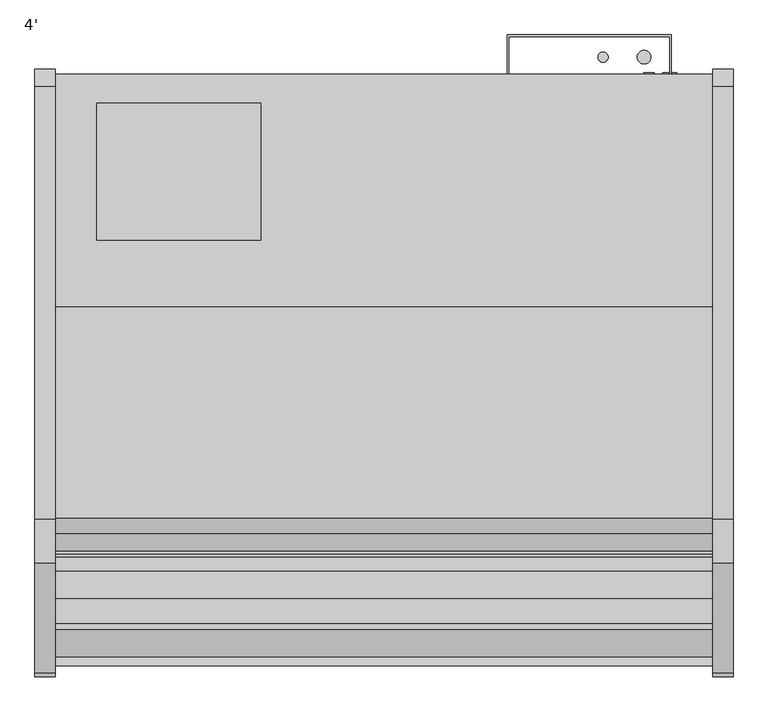
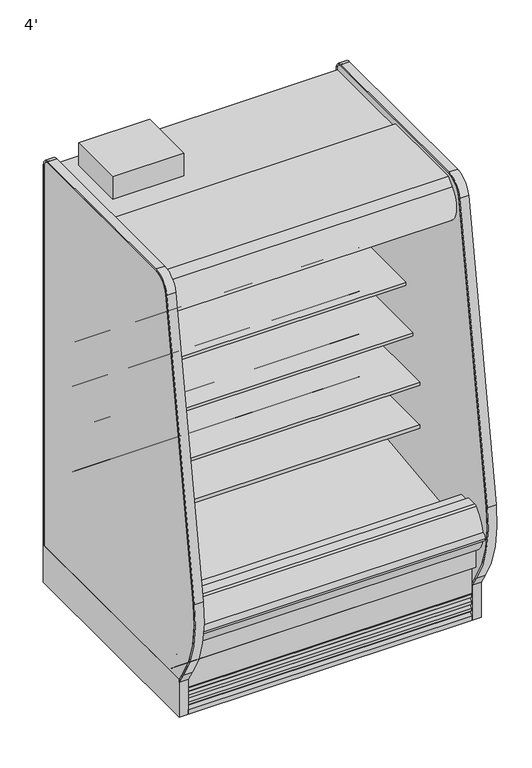
"""IFC4 building model written with IfcOpenShell, lengths in millimetres: proxy geometry, 4'."""

from ifc_helpers import new_model, si_unit, point, frame, frame_2d, origin, origin_with_axes, place, context, project, spatial, polyline, circle_curve, trimmed, segment, composite_curve, outline, extrude, faceted_brep, source, transform, mapped, element, save
from ifc_brep_helpers import plane_surface, cylinder_surface, revolved_surface, advanced_brep


def proxy_4_6e2ada27(model_context):
    return source(origin(), model_context, "Body", "SolidModel", [
        extrude(outline(polyline([(381.0, -452.3089273), (381.0, -706.3089273), (76.2, -706.3089273), (76.2, -452.3089273), (381.0, -452.3089273)])), frame((0.0, 0.0, 1890.890681), z_axis=(0.0, 0.0, 1.0), x_axis=(1.0, 0.0, 0.0)), (0.0, 0.0, 1.0), 101.6),
        extrude(outline(composite_curve([segment(polyline([(-501.7581995, 650.7627781), (-501.7581995, 575.6617518), (-525.138746, 575.6617518)]), True, "CONTINUOUS"), segment(trimmed(circle_curve(frame_2d((-525.5705821, 601.0580806)), 25.4), [point((-525.138746, 575.6617518))], [point((-541.5479383, 581.3125979))], False, "CARTESIAN"), True, "CONTINUOUS"), segment(polyline([(-541.5479383, 581.3125979), (-559.3999995, 595.7578634)]), True, "CONTINUOUS"), segment(trimmed(circle_curve(frame_2d((-599.3433901, 546.3941567)), 63.5), [point((-559.3999995, 595.7578634))], [point((-591.4455089, 609.4010886))], True, "CARTESIAN"), True, "CONTINUOUS"), segment(polyline([(-591.4455089, 609.4010886), (-866.0092482, 633.098226), (-867.4980247, 636.5387781), (-1009.7581995, 636.5387781), (-1009.7581995, 650.7627781), (-501.7581995, 650.7627781)]), True, "CONTINUOUS")], self_intersect=False)), frame((0.0, 0.0, 0.0), z_axis=(1.0, 0.0, 0.0), x_axis=(0.0, 1.0, 0.0)), (0.0, 0.0, 1.0), 1219.2),
        extrude(outline(composite_curve([segment(polyline([(-501.7581995, 844.576863), (-501.7581995, 769.4758366), (-525.138746, 769.4758366)]), True, "CONTINUOUS"), segment(trimmed(circle_curve(frame_2d((-525.5705821, 794.8721655)), 25.4), [point((-525.138746, 769.4758366))], [point((-541.5479383, 775.1266828))], False, "CARTESIAN"), True, "CONTINUOUS"), segment(polyline([(-541.5479383, 775.1266828), (-559.3999995, 789.5719483)]), True, "CONTINUOUS"), segment(trimmed(circle_curve(frame_2d((-599.3433901, 740.2082415)), 63.5), [point((-559.3999995, 789.5719483))], [point((-591.4455089, 803.2151735))], True, "CARTESIAN"), True, "CONTINUOUS"), segment(polyline([(-591.4455089, 803.2151735), (-866.0092482, 826.9123109), (-867.4980247, 830.352863), (-1009.7581995, 830.352863), (-1009.7581995, 844.576863), (-501.7581995, 844.576863)]), True, "CONTINUOUS")], self_intersect=False)), frame((0.0, 0.0, 0.0), z_axis=(1.0, 0.0, 0.0), x_axis=(0.0, 1.0, 0.0)), (0.0, 0.0, 1.0), 1219.2),
        extrude(outline(composite_curve([segment(polyline([(-501.7581995, 1038.3909479), (-501.7581995, 963.2899215), (-525.138746, 963.2899215)]), True, "CONTINUOUS"), segment(trimmed(circle_curve(frame_2d((-525.5705821, 988.6862503)), 25.4), [point((-525.138746, 963.2899215))], [point((-541.5479383, 968.9407676))], False, "CARTESIAN"), True, "CONTINUOUS"), segment(polyline([(-541.5479383, 968.9407676), (-559.3999995, 983.3860332)]), True, "CONTINUOUS"), segment(trimmed(circle_curve(frame_2d((-599.3433901, 934.0223264)), 63.5), [point((-559.3999995, 983.3860332))], [point((-591.4455089, 997.0292583))], True, "CARTESIAN"), True, "CONTINUOUS"), segment(polyline([(-591.4455089, 997.0292583), (-866.0092482, 1020.7263958), (-867.4980247, 1024.1669479), (-958.9581995, 1024.1669479), (-958.9581995, 1038.3909479), (-501.7581995, 1038.3909479)]), True, "CONTINUOUS")], self_intersect=False)), frame((0.0, 0.0, 0.0), z_axis=(1.0, 0.0, 0.0), x_axis=(0.0, 1.0, 0.0)), (0.0, 0.0, 1.0), 1219.2),
        extrude(outline(composite_curve([segment(trimmed(circle_curve(frame_2d((1016.0, -366.5839273)), 9.525), [point((1006.475, -366.5839273))], [point((1025.525, -366.5839273))], False, "CARTESIAN"), True, "CONTINUOUS"), segment(trimmed(circle_curve(frame_2d((1016.0, -366.5839273)), 9.525), [point((1025.525, -366.5839273))], [point((1006.475, -366.5839273))], False, "CARTESIAN"), True, "CONTINUOUS")], self_intersect=False)), frame((0.0, 0.0, 1384.8875996), z_axis=(0.0, 0.0, 1.0), x_axis=(1.0, 0.0, 0.0)), (0.0, 0.0, 1.0), 465.5662814),
        extrude(outline(composite_curve([segment(trimmed(circle_curve(frame_2d((1092.2, -366.5839273)), 12.7), [point((1079.5, -366.5839273))], [point((1104.9, -366.5839273))], False, "CARTESIAN"), True, "CONTINUOUS"), segment(trimmed(circle_curve(frame_2d((1092.2, -366.5839273)), 12.7), [point((1104.9, -366.5839273))], [point((1079.5, -366.5839273))], False, "CARTESIAN"), True, "CONTINUOUS")], self_intersect=False)), frame((0.0, 0.0, 1384.8875996), z_axis=(0.0, 0.0, 1.0), x_axis=(1.0, 0.0, 0.0)), (0.0, 0.0, 1.0), 465.5662814),
        extrude(outline(polyline([(1139.825, -401.5089273), (1139.825, -328.4839273), (841.4752368, -328.4839273), (841.4752368, -401.5089273), (838.2, -401.5089273), (838.2, -325.3089273), (1143.0, -325.3089273), (1143.0, -401.5089273), (1139.825, -401.5089273)])), frame((0.0, 0.0, 636.9744553), z_axis=(0.0, 0.0, 1.0), x_axis=(1.0, 0.0, 0.0)), (0.0, 0.0, 1.0), 1177.4114257),
        extrude(outline(composite_curve([segment(trimmed(circle_curve(frame_2d((1044.575, -973.0089273)), 12.7), [point((1031.875, -973.0089273))], [point((1057.275, -973.0089273))], False, "CARTESIAN"), True, "CONTINUOUS"), segment(trimmed(circle_curve(frame_2d((1044.575, -973.0089273)), 12.7), [point((1057.275, -973.0089273))], [point((1031.875, -973.0089273))], False, "CARTESIAN"), True, "CONTINUOUS")], self_intersect=False)), frame((0.0, 0.0, 66.7090149), z_axis=(0.0, 0.0, 1.0), x_axis=(1.0, 0.0, 0.0)), (0.0, 0.0, 1.0), 57.1159851),
        extrude(outline(composite_curve([segment(trimmed(circle_curve(frame_2d((1006.475, -973.0089273)), 9.525), [point((996.95, -973.0089273))], [point((1016.0, -973.0089273))], False, "CARTESIAN"), True, "CONTINUOUS"), segment(trimmed(circle_curve(frame_2d((1006.475, -973.0089273)), 9.525), [point((1016.0, -973.0089273))], [point((996.95, -973.0089273))], False, "CARTESIAN"), True, "CONTINUOUS")], self_intersect=False)), frame((0.0, 0.0, 66.7090149), z_axis=(0.0, 0.0, 1.0), x_axis=(1.0, 0.0, 0.0)), (0.0, 0.0, 1.0), 57.1159851),
        extrude(outline(composite_curve([segment(trimmed(circle_curve(frame_2d((-772.0018909, 1757.6527872)), 14.2875), [point((-786.2893909, 1757.6527872))], [point((-757.7143909, 1757.6527872))], False, "CARTESIAN"), True, "CONTINUOUS"), segment(trimmed(circle_curve(frame_2d((-772.0018909, 1757.6527872)), 14.2875), [point((-757.7143909, 1757.6527872))], [point((-786.2893909, 1757.6527872))], False, "CARTESIAN"), True, "CONTINUOUS")], self_intersect=False)), frame((0.0, 0.0, 0.0), z_axis=(1.0, 0.0, 0.0), x_axis=(0.0, 1.0, 0.0)), (0.0, 0.0, 1.0), 1219.2),
        extrude(outline(polyline([(744.7751963, -1346.7911816), (435.3523963, -1346.7911816), (435.3523963, -1246.4115659), (744.7751963, -1246.4115659), (744.7751963, -1346.7911816)])), frame((0.0, 0.0, 53.2186364), z_axis=(0.0, 0.0, 1.0), x_axis=(1.0, 0.0, 0.0)), (0.0, 0.0, 1.0), 9.8914),
        faceted_brep([(1219.2, -1207.9589273, 133.35), (1219.2, -1271.9080824, 133.35), (1219.2, -1376.2733538, 217.6113531), (1219.2, -1376.2733538, 10.9768116), (1219.2, -1207.9589273, 10.9768116), (0.0, -1207.9589273, 133.35), (0.0, -1207.9589273, 10.9768116), (0.0, -1376.2733538, 10.9768116), (0.0, -1376.2733538, 217.6113531), (0.0, -1271.9080824, 133.35), (744.7751963, -1346.7911816, 10.9768116), (744.7751963, -1246.4115659, 10.9768116), (435.3523963, -1246.4115659, 10.9768116), (435.3523963, -1346.7911816, 10.9768116), (744.7751963, -1346.7911816, 63.1100364), (435.3523963, -1346.7911816, 63.1100364), (435.3523963, -1246.4115659, 63.1100364), (744.7751963, -1246.4115659, 63.1100364)], [[[0, 1, 2, 3, 4]], [[5, 6, 7, 8, 9]], [[1, 0, 5, 9]], [[2, 1, 9, 8]], [[3, 2, 8, 7]], [[4, 3, 7, 6], [10, 11, 12, 13]], [[0, 4, 6, 5]], [[14, 15, 16, 17]], [[14, 17, 11, 10]], [[17, 16, 12, 11]], [[16, 15, 13, 12]], [[15, 14, 10, 13]]]),
        extrude(outline(composite_curve([segment(trimmed(circle_curve(frame_2d((497.8112651, 1139.6090336)), 12.7), [point((497.8112651, 1152.3090336))], [point((497.8112651, 1126.9090336))], False, "CARTESIAN"), True, "CONTINUOUS"), segment(trimmed(circle_curve(frame_2d((497.8112651, 1139.6090336)), 12.7), [point((497.8112651, 1126.9090336))], [point((497.8112651, 1152.3090336))], False, "CARTESIAN"), True, "CONTINUOUS")], self_intersect=False)), frame((0.0, -447.5561252, 0.0), z_axis=(0.0, 1.0, 0.0), x_axis=(0.0, 0.0, 1.0)), (0.0, 0.0, 1.0), 52.3971979),
        extrude(outline(composite_curve([segment(trimmed(circle_curve(frame_2d((497.8112651, 1101.1972115)), 9.525), [point((497.8112651, 1110.7222115))], [point((497.8112651, 1091.6722115))], False, "CARTESIAN"), True, "CONTINUOUS"), segment(trimmed(circle_curve(frame_2d((497.8112651, 1101.1972115)), 9.525), [point((497.8112651, 1091.6722115))], [point((497.8112651, 1110.7222115))], False, "CARTESIAN"), True, "CONTINUOUS")], self_intersect=False)), frame((0.0, -447.5561252, 0.0), z_axis=(0.0, 1.0, 0.0), x_axis=(0.0, 0.0, 1.0)), (0.0, 0.0, 1.0), 52.3971979),
        extrude(outline(composite_curve([segment(polyline([(-448.6101762, 1839.296931), (-448.6101762, 407.920884), (-501.7581995, 407.920884), (-501.7581995, 1761.0279745)]), True, "CONTINUOUS"), segment(trimmed(circle_curve(frame_2d((-527.1581995, 1761.0279745)), 25.4), [point((-501.7581995, 1761.0279745))], [point((-527.1581995, 1786.4279745))], True, "CARTESIAN"), True, "CONTINUOUS"), segment(polyline([(-527.1581995, 1786.4279745), (-992.6733136, 1786.4279745), (-992.6733136, 1753.1446108), (-1003.5184137, 1753.1446108)]), True, "CONTINUOUS"), segment(trimmed(circle_curve(frame_2d((-1003.5184137, 1753.4621108)), 0.3175), [point((-1003.5184137, 1753.1446108))], [point((-1003.5184137, 1753.7796108))], False, "CARTESIAN"), True, "CONTINUOUS"), segment(polyline([(-1003.5184137, 1753.7796108), (-993.3389611, 1753.7796108), (-993.3389611, 1779.1796104), (-1094.9389599, 1779.1796104), (-1094.9389599, 1753.7796108), (-1084.7595073, 1753.7796108)]), True, "CONTINUOUS"), segment(trimmed(circle_curve(frame_2d((-1084.7595073, 1753.4621108)), 0.3175), [point((-1084.7595073, 1753.7796108))], [point((-1084.7595073, 1753.1446108))], False, "CARTESIAN"), True, "CONTINUOUS"), segment(polyline([(-1084.7595073, 1753.1446108), (-1095.6048165, 1753.1446108), (-1095.5967104, 1839.296931), (-448.6101762, 1839.296931)]), True, "CONTINUOUS")], self_intersect=False)), frame((0.0, 0.0, 0.0), z_axis=(1.0, 0.0, 0.0), x_axis=(0.0, 1.0, 0.0)), (0.0, 0.0, 1.0), 1219.2),
        advanced_brep(
        [(1219.2, -1425.6139874, 394.41755), (1219.2, -1425.6139874, 257.4474833), (1219.2, -1271.9080824, 133.35), (1219.2, -398.3339273, 133.35), (1219.2, -398.3339273, 1890.890681), (1219.2, -1136.0666873, 1890.890681), (1219.2, -1136.0666873, 1839.296931), (1219.2, -448.6101762, 1839.296931), (1219.2, -448.6101762, 367.1445251), (1219.2, -596.3264929, 214.837363), (1219.2, -1040.4181205, 198.8529213), (1219.2, -1093.5300237, 160.270884), (1219.2, -1160.3460307, 160.270884), (1219.2, -1218.3906168, 192.4470563), (1219.2, -1376.1093872, 344.7542153), (1219.2, -1376.1093872, 394.41755), (0.0, -1425.6139874, 394.41755), (0.0, -1376.1093872, 394.41755), (0.0, -1376.1093872, 344.7542153), (0.0, -1218.3906168, 192.4470563), (0.0, -1160.3460307, 160.270884), (0.0, -1093.5300237, 160.270884), (0.0, -1040.4181205, 198.8529213), (0.0, -596.3264929, 214.837363), (0.0, -448.6101762, 367.1445251), (0.0, -448.6101762, 1839.296931), (0.0, -1136.0666873, 1839.296931), (0.0, -1136.0666873, 1890.890681), (0.0, -398.3339273, 1890.890681), (0.0, -398.3339273, 133.35), (0.0, -1271.9080824, 133.35), (0.0, -1425.6139874, 257.4474833), (1117.6, -398.3339273, 362.4825072), (1117.6, -398.3339273, 464.0825072), (1117.6, -444.3811252, 362.4825072), (1117.6, -444.3811252, 464.0825072)],
        [
            (0, 1),
            (1, 2),
            (2, 3),
            (3, 4),
            (4, 5),
            (5, 6),
            (6, 7),
            (7, 8),
            (8, 9, circle_curve(frame((1219.2, -601.8382276, 367.9684683), z_axis=(-1.0, 0.0, 0.0), x_axis=(0.0, 1.0, 0.0)), 153.2302667)),
            (9, 10),
            (10, 11),
            (11, 12),
            (12, 13),
            (13, 14, circle_curve(frame((1219.2, -1223.7093872, 344.7542153), z_axis=(-1.0, 0.0, 0.0), x_axis=(0.0, 1.0, 0.0)), 152.4)),
            (14, 15),
            (15, 0),
            (16, 17),
            (17, 18),
            (18, 19, circle_curve(frame((0.0, -1223.7093872, 344.7542153), z_axis=(1.0, 0.0, 0.0), x_axis=(0.0, 1.0, 0.0)), 152.4)),
            (19, 20),
            (20, 21),
            (21, 22),
            (22, 23),
            (23, 24, circle_curve(frame((0.0, -601.8382276, 367.9684683), z_axis=(1.0, 0.0, 0.0), x_axis=(0.0, 1.0, 0.0)), 153.2302667)),
            (24, 25),
            (25, 26),
            (26, 27),
            (27, 28),
            (28, 29),
            (29, 30),
            (30, 31),
            (31, 16),
            (0, 16),
            (31, 1),
            (30, 2),
            (29, 3),
            (28, 4),
            (32, 33, circle_curve(frame((1117.6, -398.3339273, 413.2825072), z_axis=(0.0, -1.0, 0.0), x_axis=(0.0, 0.0, 1.0)), 50.8)),
            (33, 32, circle_curve(frame((1117.6, -398.3339273, 413.2825072), z_axis=(0.0, -1.0, 0.0), x_axis=(0.0, 0.0, 1.0)), 50.8)),
            (27, 5),
            (26, 6),
            (25, 7),
            (24, 8),
            (23, 9),
            (22, 10),
            (21, 11),
            (20, 12),
            (19, 13),
            (18, 14),
            (17, 15),
            (34, 35, circle_curve(frame((1117.6, -444.3811252, 413.2825072), z_axis=(0.0, 1.0, 0.0), x_axis=(0.0, 0.0, 1.0)), 50.8)),
            (35, 34, circle_curve(frame((1117.6, -444.3811252, 413.2825072), z_axis=(0.0, 1.0, 0.0), x_axis=(0.0, 0.0, 1.0)), 50.8)),
            (35, 33),
            (32, 34),
        ],
        [
            plane_surface(frame((1219.2, -1425.6139874, 257.4474833), z_axis=(1.0, 0.0, 0.0), x_axis=(0.0, 0.0, -1.0))),
            plane_surface(frame((0.0, -1425.6139874, 257.4474833), z_axis=(-1.0, 0.0, 0.0), x_axis=(0.0, 0.0, 1.0))),
            plane_surface(frame((1219.2, -1425.6139874, 394.41755), z_axis=(0.0, -1.0, 0.0), x_axis=(-1.0, 0.0, 0.0))),
            plane_surface(frame((1219.2, -1425.6139874, 257.4474833), z_axis=(0.0, -0.6281851642637385, -0.7780638787393617), x_axis=(-1.0, 0.0, 0.0))),
            plane_surface(frame((1219.2, -1271.9080824, 133.35), z_axis=(0.0, 0.0, -1.0), x_axis=(-1.0, 0.0, 0.0))),
            plane_surface(frame((1219.2, -398.3339273, 133.35), z_axis=(0.0, 1.0, 0.0), x_axis=(-1.0, 0.0, 0.0))),
            plane_surface(frame((1219.2, -398.3339273, 1890.890681), z_axis=(0.0, 0.0, 1.0), x_axis=(-1.0, 0.0, 0.0))),
            plane_surface(frame((1219.2, -1136.0666873, 1890.890681), z_axis=(0.0, -1.0, 0.0), x_axis=(-1.0, 0.0, 0.0))),
            plane_surface(frame((1219.2, -1136.0666873, 1839.296931), z_axis=(0.0, 0.0, -1.0), x_axis=(-1.0, 0.0, 0.0))),
            plane_surface(frame((1219.2, -448.6101762, 1839.296931), z_axis=(0.0, -1.0, 0.0), x_axis=(-1.0, 0.0, 0.0))),
            revolved_surface(polyline([(0.0, -448.60796089999997, 367.9684683), (1219.2, -448.60796089999997, 367.9684683)]), (0.0, -601.8382276, 367.9684683), (-1.0, 0.0, 0.0)),
            plane_surface(frame((1219.2, -596.3264929, 214.837363), z_axis=(0.0, -0.035970274152171335, 0.9993528602938092), x_axis=(-1.0, 0.0, 0.0))),
            plane_surface(frame((1219.2, -1040.4181205, 198.8529213), z_axis=(0.0, -0.5877252382160976, 0.8090605937529224), x_axis=(-1.0, 0.0, 0.0))),
            plane_surface(frame((1219.2, -1093.5300237, 160.270884), z_axis=(0.0, 0.0, 1.0), x_axis=(-1.0, 0.0, 0.0))),
            plane_surface(frame((1219.2, -1160.3460307, 160.270884), z_axis=(0.0, 0.4848272875913194, 0.8746099137368866), x_axis=(-1.0, 0.0, 0.0))),
            revolved_surface(polyline([(0.0, -1071.3093872, 344.7542153), (1219.2, -1071.3093872, 344.7542153)]), (0.0, -1223.7093872, 344.7542153), (-1.0, 0.0, 0.0)),
            plane_surface(frame((1219.2, -1376.1093872, 344.7542153), z_axis=(0.0, 1.0, 0.0), x_axis=(-1.0, 0.0, 0.0))),
            plane_surface(frame((1219.2, -1376.1093872, 394.41755), z_axis=(0.0, 0.0, 1.0), x_axis=(-1.0, 0.0, 0.0))),
            plane_surface(frame((1117.6, -444.3811252, 464.0825072), z_axis=(0.0, 1.0, 0.0), x_axis=(-1.0, 0.0, 0.0))),
            revolved_surface(polyline([(1117.6, -444.3811252, 464.0825072), (1117.6, -398.3339273, 464.0825072)]), (1117.6, -398.3339273, 413.2825072), (0.0, -1.0, 0.0)),
        ],
        [
            (0, [[1, 2, 3, 4, 5, 6, 7, 8, 9, 10, 11, 12, 13, 14, 15, 16]]),
            (1, [[17, 18, 19, 20, 21, 22, 23, 24, 25, 26, 27, 28, 29, 30, 31, 32]]),
            (2, [[-1, 33, -32, 34]]),
            (3, [[-2, -34, -31, 35]]),
            (4, [[-3, -35, -30, 36]]),
            (5, [[-4, -36, -29, 37], [38, 39]]),
            (6, [[-5, -37, -28, 40]]),
            (7, [[-6, -40, -27, 41]]),
            (8, [[-7, -41, -26, 42]]),
            (9, [[-8, -42, -25, 43]]),
            (10, [[-9, -43, -24, 44]]),
            (11, [[-10, -44, -23, 45]]),
            (12, [[-11, -45, -22, 46]]),
            (13, [[-12, -46, -21, 47]]),
            (14, [[-13, -47, -20, 48]]),
            (15, [[-14, -48, -19, 49]]),
            (16, [[-15, -49, -18, 50]]),
            (17, [[-16, -50, -17, -33]]),
            (18, [[51, 52]]),
            (19, [[-52, 53, -38, 54]]),
            (19, [[-51, -54, -39, -53]]),
        ],
    ),
        advanced_brep(
        [(1219.2, -1321.1559113, 376.2501999), (1219.2, -1321.1559113, 524.3829999), (1219.2, -1376.1093872, 524.3829999), (1219.2, -1376.1093872, 344.7542153), (1219.2, -1218.3906168, 192.4470563), (1219.2, -1160.3460307, 160.270884), (1219.2, -1093.5300237, 160.270884), (1219.2, -1040.4181205, 198.8529213), (1219.2, -596.3264929, 214.837363), (1219.2, -448.6101762, 367.1445251), (1219.2, -448.6101762, 407.920884), (1219.2, -501.7581995, 407.920884), (1219.2, -501.7581995, 472.5646663), (1219.2, -513.5722923, 459.8956028), (1219.2, -607.0176758, 453.3612651), (1219.2, -607.4656734, 459.7679299), (1219.2, -1288.3966401, 378.1918392), (1219.2, -1293.8382113, 376.2501999), (0.0, -1321.1559113, 376.2501999), (0.0, -1293.8382113, 376.2501999), (0.0, -1288.3966401, 378.1918392), (0.0, -607.4656734, 459.7679299), (0.0, -607.0176758, 453.3612651), (0.0, -513.5722923, 459.8956028), (0.0, -501.7581995, 472.5646663), (0.0, -501.7581995, 407.920884), (0.0, -448.6101762, 407.920884), (0.0, -448.6101762, 367.1445251), (0.0, -596.3264929, 214.837363), (0.0, -1040.4181205, 198.8529213), (0.0, -1093.5300237, 160.270884), (0.0, -1160.3460307, 160.270884), (0.0, -1218.3906168, 192.4470563), (0.0, -1376.1093872, 344.7542153), (0.0, -1376.1093872, 524.3829999), (0.0, -1321.1559113, 524.3829999)],
        [
            (0, 1),
            (1, 2),
            (2, 3),
            (3, 4, circle_curve(frame((1219.2, -1223.7093872, 344.7542153), z_axis=(1.0, 0.0, 0.0), x_axis=(0.0, 1.0, 0.0)), 152.4)),
            (4, 5),
            (5, 6),
            (6, 7),
            (7, 8),
            (8, 9, circle_curve(frame((1219.2, -601.8382276, 367.9684683), z_axis=(1.0, 0.0, 0.0), x_axis=(0.0, 1.0, 0.0)), 153.2302667)),
            (9, 10),
            (10, 11),
            (11, 12),
            (12, 13, circle_curve(frame((1219.2, -514.4581995, 472.5646663), z_axis=(-1.0, 0.0, 0.0), x_axis=(0.0, 1.0, 0.0)), 12.7)),
            (13, 14),
            (14, 15),
            (15, 16),
            (16, 17),
            (17, 0),
            (18, 19),
            (19, 20),
            (20, 21),
            (21, 22),
            (22, 23),
            (23, 24, circle_curve(frame((0.0, -514.4581995, 472.5646663), z_axis=(1.0, 0.0, 0.0), x_axis=(0.0, 1.0, 0.0)), 12.7)),
            (24, 25),
            (25, 26),
            (26, 27),
            (27, 28, circle_curve(frame((0.0, -601.8382276, 367.9684683), z_axis=(-1.0, 0.0, 0.0), x_axis=(0.0, 1.0, 0.0)), 153.2302667)),
            (28, 29),
            (29, 30),
            (30, 31),
            (31, 32),
            (32, 33, circle_curve(frame((0.0, -1223.7093872, 344.7542153), z_axis=(-1.0, 0.0, 0.0), x_axis=(0.0, 1.0, 0.0)), 152.4)),
            (33, 34),
            (34, 35),
            (35, 18),
            (0, 18),
            (35, 1),
            (34, 2),
            (33, 3),
            (32, 4),
            (31, 5),
            (30, 6),
            (29, 7),
            (28, 8),
            (27, 9),
            (26, 10),
            (25, 11),
            (24, 12),
            (23, 13),
            (22, 14),
            (21, 15),
            (20, 16),
            (19, 17),
        ],
        [
            plane_surface(frame((1219.2, -1321.1559113, 524.3829999), z_axis=(1.0, 0.0, 0.0), x_axis=(0.0, 0.0, 1.0))),
            plane_surface(frame((0.0, -1321.1559113, 524.3829999), z_axis=(-1.0, 0.0, 0.0), x_axis=(0.0, 0.0, -1.0))),
            plane_surface(frame((1219.2, -1321.1559113, 376.2501999), z_axis=(0.0, 1.0, 0.0), x_axis=(-1.0, 0.0, 0.0))),
            plane_surface(frame((1219.2, -1321.1559113, 524.3829999), z_axis=(0.0, 0.0, 1.0), x_axis=(-1.0, 0.0, 0.0))),
            plane_surface(frame((1219.2, -1376.1093872, 524.3829999), z_axis=(0.0, -1.0, 0.0), x_axis=(-1.0, 0.0, 0.0))),
            cylinder_surface(frame((0.0, -1223.7093872, 344.7542153), z_axis=(1.0, 0.0, 0.0), x_axis=(0.0, 1.0, 0.0)), 152.4),
            plane_surface(frame((1219.2, -1218.3906168, 192.4470563), z_axis=(0.0, -0.48482728759131477, -0.8746099137368891), x_axis=(-1.0, 0.0, 0.0))),
            plane_surface(frame((1219.2, -1160.3460307, 160.270884), z_axis=(0.0, 0.0, -1.0), x_axis=(-1.0, 0.0, 0.0))),
            plane_surface(frame((1219.2, -1093.5300237, 160.270884), z_axis=(0.0, 0.587725238216098, -0.8090605937529222), x_axis=(-1.0, 0.0, 0.0))),
            plane_surface(frame((1219.2, -1040.4181205, 198.8529213), z_axis=(0.0, 0.03597027415217118, -0.9993528602938092), x_axis=(-1.0, 0.0, 0.0))),
            cylinder_surface(frame((0.0, -601.8382276, 367.9684683), z_axis=(1.0, 0.0, 0.0), x_axis=(0.0, 1.0, 0.0)), 153.2302667),
            plane_surface(frame((1219.2, -448.6101762, 367.1445251), z_axis=(0.0, 1.0, 0.0), x_axis=(-1.0, 0.0, 0.0))),
            plane_surface(frame((1219.2, -448.6101762, 407.920884), z_axis=(0.0, 0.0, 1.0), x_axis=(-1.0, 0.0, 0.0))),
            plane_surface(frame((1219.2, -501.7581995, 407.920884), z_axis=(0.0, 1.0, 0.0), x_axis=(-1.0, 0.0, 0.0))),
            revolved_surface(polyline([(0.0, -501.7581995, 472.5646663), (1219.2, -501.7581995, 472.5646663)]), (0.0, -514.4581995, 472.5646663), (-1.0, 0.0, 0.0)),
            plane_surface(frame((1219.2, -513.5722923, 459.8956028), z_axis=(0.0, -0.0697564736977033, 0.9975640502630705), x_axis=(-1.0, 0.0, 0.0))),
            plane_surface(frame((1219.2, -607.0176758, 453.3612651), z_axis=(0.0, 0.9975640502631785, 0.06975647369615752), x_axis=(-1.0, 0.0, 0.0))),
            plane_surface(frame((1219.2, -607.4656734, 459.7679299), z_axis=(0.0, -0.1189502633854896, 0.9929002139392069), x_axis=(-1.0, 0.0, 0.0))),
            plane_surface(frame((1219.2, -1288.3966401, 378.1918392), z_axis=(0.0, -0.33606330765114173, 0.9418393988629772), x_axis=(-1.0, 0.0, 0.0))),
            plane_surface(frame((1219.2, -1293.8382113, 376.2501999), z_axis=(0.0, 0.0, 1.0), x_axis=(-1.0, 0.0, 0.0))),
        ],
        [
            (0, [[1, 2, 3, 4, 5, 6, 7, 8, 9, 10, 11, 12, 13, 14, 15, 16, 17, 18]]),
            (1, [[19, 20, 21, 22, 23, 24, 25, 26, 27, 28, 29, 30, 31, 32, 33, 34, 35, 36]]),
            (2, [[-1, 37, -36, 38]]),
            (3, [[-2, -38, -35, 39]]),
            (4, [[-3, -39, -34, 40]]),
            (5, [[-4, -40, -33, 41]]),
            (6, [[-5, -41, -32, 42]]),
            (7, [[-6, -42, -31, 43]]),
            (8, [[-7, -43, -30, 44]]),
            (9, [[-8, -44, -29, 45]]),
            (10, [[-9, -45, -28, 46]]),
            (11, [[-10, -46, -27, 47]]),
            (12, [[-11, -47, -26, 48]]),
            (13, [[-12, -48, -25, 49]]),
            (14, [[-13, -49, -24, 50]]),
            (15, [[-14, -50, -23, 51]]),
            (16, [[-15, -51, -22, 52]]),
            (17, [[-16, -52, -21, 53]]),
            (18, [[-17, -53, -20, 54]]),
            (19, [[-18, -54, -19, -37]]),
        ],
    ),
        extrude(outline(composite_curve([segment(trimmed(circle_curve(frame_2d((914.4, -1128.5839273)), 38.1), [point((876.3, -1128.5839273))], [point((952.5, -1128.5839273))], False, "CARTESIAN"), True, "CONTINUOUS"), segment(trimmed(circle_curve(frame_2d((914.4, -1128.5839273)), 38.1), [point((952.5, -1128.5839273))], [point((876.3, -1128.5839273))], False, "CARTESIAN"), True, "CONTINUOUS")], self_intersect=False)), frame((0.0, 0.0, 66.7090149), z_axis=(0.0, 0.0, 1.0), x_axis=(1.0, 0.0, 0.0)), (0.0, 0.0, 1.0), 57.1159851),
        advanced_brep(
        [(1219.2, -401.5089273, 0.0), (1219.2, -401.5089273, 133.35), (1219.2, -1207.9589273, 133.35), (1219.2, -1207.9589273, 0.0), (1219.2, -1161.1594273, 0.0), (1219.2, -1161.1594273, 74.8810382), (1219.2, -446.7209273, 74.8810382), (1219.2, -446.7209273, 0.0), (0.0, -401.5089273, 0.0), (0.0, -446.7209273, 0.0), (0.0, -446.7209273, 74.8810382), (0.0, -1161.1594273, 74.8810382), (0.0, -1161.1594273, 0.0), (0.0, -1207.9589273, 0.0), (0.0, -1207.9589273, 133.35), (0.0, -401.5089273, 133.35), (875.4195331, -1161.1594273, 0.0), (953.3804669, -1161.1594273, 0.0), (953.3804669, -1161.1594273, 74.8810382), (875.4195331, -1161.1594273, 74.8810382), (965.2, -1128.5839273, 74.8810382), (863.6, -1128.5839273, 74.8810382), (974.725, -973.0089273, 74.8810382), (1076.325, -973.0089273, 74.8810382), (863.6, -1128.5839273, 123.825), (965.2, -1128.5839273, 123.825), (974.725, -973.0089273, 123.825), (1076.325, -973.0089273, 123.825)],
        [
            (0, 1),
            (1, 2),
            (2, 3),
            (3, 4),
            (4, 5),
            (5, 6),
            (6, 7),
            (7, 0),
            (8, 9),
            (9, 10),
            (10, 11),
            (11, 12),
            (12, 13),
            (13, 14),
            (14, 15),
            (15, 8),
            (0, 8),
            (15, 1),
            (14, 2),
            (13, 3),
            (12, 16),
            (16, 17, circle_curve(frame((914.4, -1128.5839273, 0.0), z_axis=(0.0, 0.0, 1.0), x_axis=(1.0, 0.0, 0.0)), 50.8)),
            (17, 4),
            (17, 18),
            (18, 5),
            (11, 19),
            (19, 16),
            (18, 20, circle_curve(frame((914.4, -1128.5839273, 74.8810382), z_axis=(0.0, 0.0, 1.0), x_axis=(1.0, 0.0, 0.0)), 50.8)),
            (20, 21, circle_curve(frame((914.4, -1128.5839273, 74.8810382), z_axis=(0.0, 0.0, 1.0), x_axis=(1.0, 0.0, 0.0)), 50.8)),
            (21, 19, circle_curve(frame((914.4, -1128.5839273, 74.8810382), z_axis=(0.0, 0.0, 1.0), x_axis=(1.0, 0.0, 0.0)), 50.8)),
            (10, 6),
            (22, 23, circle_curve(frame((1025.525, -973.0089273, 74.8810382), z_axis=(0.0, 0.0, 1.0), x_axis=(1.0, 0.0, 0.0)), 50.8)),
            (23, 22, circle_curve(frame((1025.525, -973.0089273, 74.8810382), z_axis=(0.0, 0.0, 1.0), x_axis=(1.0, 0.0, 0.0)), 50.8)),
            (9, 7),
            (24, 25, circle_curve(frame((914.4, -1128.5839273, 123.825), z_axis=(0.0, 0.0, -1.0), x_axis=(1.0, 0.0, 0.0)), 50.8)),
            (25, 24, circle_curve(frame((914.4, -1128.5839273, 123.825), z_axis=(0.0, 0.0, -1.0), x_axis=(1.0, 0.0, 0.0)), 50.8)),
            (25, 20),
            (21, 24),
            (26, 27, circle_curve(frame((1025.525, -973.0089273, 123.825), z_axis=(0.0, 0.0, -1.0), x_axis=(1.0, 0.0, 0.0)), 50.8)),
            (27, 26, circle_curve(frame((1025.525, -973.0089273, 123.825), z_axis=(0.0, 0.0, -1.0), x_axis=(1.0, 0.0, 0.0)), 50.8)),
            (27, 23),
            (22, 26),
        ],
        [
            plane_surface(frame((1219.2, -401.5089273, 1893.5715584), z_axis=(1.0, 0.0, 0.0), x_axis=(0.0, 0.0, 1.0))),
            plane_surface(frame((0.0, -401.5089273, 1893.5715584), z_axis=(-1.0, 0.0, 0.0), x_axis=(0.0, 0.0, -1.0))),
            plane_surface(frame((1219.2, -401.5089273, 0.0), z_axis=(0.0, 1.0, 0.0), x_axis=(-1.0, 0.0, 0.0))),
            plane_surface(frame((1219.2, -401.5089273, 133.35), z_axis=(0.0, 0.0, 1.0), x_axis=(-1.0, 0.0, 0.0))),
            plane_surface(frame((1219.2, -1207.9589273, 133.35), z_axis=(0.0, -1.0, 0.0), x_axis=(-1.0, 0.0, 0.0))),
            plane_surface(frame((1219.2, -1207.9589273, 0.0), z_axis=(0.0, 0.0, -1.0), x_axis=(-1.0, 0.0, 0.0))),
            plane_surface(frame((1219.2, -1161.1594273, 0.0), z_axis=(0.0, 1.0, 0.0), x_axis=(-1.0, 0.0, 0.0))),
            plane_surface(frame((1219.2, -1161.1594273, 74.8810382), z_axis=(0.0, 0.0, -1.0), x_axis=(-1.0, 0.0, 0.0))),
            plane_surface(frame((1219.2, -446.7209273, 74.8810382), z_axis=(0.0, -1.0, 0.0), x_axis=(-1.0, 0.0, 0.0))),
            plane_surface(frame((1219.2, -446.7209273, 0.0), z_axis=(0.0, 0.0, -1.0), x_axis=(-1.0, 0.0, 0.0))),
            plane_surface(frame((965.2, -1128.5839273, 123.825), z_axis=(0.0, 0.0, -1.0), x_axis=(0.0, 1.0, 0.0))),
            revolved_surface(polyline([(965.1999999999999, -1128.5839273, 123.825), (965.1999999999999, -1128.5839273, 0.0)]), (914.4, -1128.5839273, 0.0), (0.0, 0.0, 1.0)),
            revolved_surface(polyline([(965.1999999999999, -1128.5839273, 123.825), (965.1999999999999, -1128.5839273, 74.8810382)]), (914.4, -1128.5839273, 0.0), (0.0, 0.0, 1.0)),
            plane_surface(frame((1076.325, -973.0089273, 123.825), z_axis=(0.0, 0.0, -1.0), x_axis=(0.0, 1.0, 0.0))),
            revolved_surface(polyline([(1076.325, -973.0089273, 123.825), (1076.325, -973.0089273, 74.8810382)]), (1025.525, -973.0089273, 0.0), (0.0, 0.0, 1.0)),
        ],
        [
            (0, [[1, 2, 3, 4, 5, 6, 7, 8]]),
            (1, [[9, 10, 11, 12, 13, 14, 15, 16]]),
            (2, [[-1, 17, -16, 18]]),
            (3, [[-2, -18, -15, 19]]),
            (4, [[-3, -19, -14, 20]]),
            (5, [[-4, -20, -13, 21, 22, 23]]),
            (6, [[-5, -23, 24, 25]]),
            (6, [[-12, 26, 27, -21]]),
            (7, [[-6, -25, 28, 29, 30, -26, -11, 31], [32, 33]]),
            (8, [[-7, -31, -10, 34]]),
            (9, [[-8, -34, -9, -17]]),
            (10, [[35, 36]]),
            (11, [[-36, 37, -28, -24, -22, -27, -30, 38]]),
            (12, [[-35, -38, -29, -37]]),
            (13, [[39, 40]]),
            (14, [[-40, 41, -32, 42]]),
            (14, [[-39, -42, -33, -41]]),
        ],
    ),
        extrude(outline(polyline([(1219.2, -993.3389611), (1219.2, -1094.9389599), (0.0, -1094.9389599), (0.0, -993.3389611), (1219.2, -993.3389611)])), frame((0.0, 0.0, 1753.7796108), z_axis=(0.0, 0.0, 1.0), x_axis=(1.0, 0.0, 0.0)), (0.0, 0.0, 1.0), 25.3999996),
        extrude(outline(composite_curve([segment(polyline([(-830.9447918, 1908.175), (-830.9447918, 1890.890681), (-1136.0666873, 1890.890681), (-1136.0666873, 1839.296931), (-1095.6048165, 1839.296931), (-1095.6048165, 1753.1446108), (-1096.7409434, 1753.1446108), (-1142.1232964, 1781.3770512), (-1226.0096298, 1781.3770512), (-1231.4278577, 1752.0024197), (-1239.5228272, 1745.4449165), (-1241.2816599, 1739.5925552), (-1244.5563653, 1734.4834182)]), True, "CONTINUOUS"), segment(trimmed(circle_curve(frame_2d((-1251.828899, 1739.1447544)), 8.6381597), [point((-1244.5563653, 1734.4834182))], [point((-1258.4047513, 1733.5433288))], False, "CARTESIAN"), True, "CONTINUOUS"), segment(trimmed(circle_curve(frame_2d((-1178.1427231, 1801.9119237)), 105.4336661), [point((-1258.4047513, 1733.5433288))], [point((-1251.2033459, 1877.9277336))], False, "CARTESIAN"), True, "CONTINUOUS"), segment(trimmed(circle_curve(frame_2d((-1718.1499588, 2363.7616011)), 673.8498988), [point((-1251.2033459, 1877.9277336))], [point((-1221.6476576, 1908.175))], True, "CARTESIAN"), True, "CONTINUOUS"), segment(polyline([(-1221.6476576, 1908.175), (-830.9447918, 1908.175)]), True, "CONTINUOUS")], self_intersect=False)), frame((0.0, 0.0, 0.0), z_axis=(1.0, 0.0, 0.0), x_axis=(0.0, 1.0, 0.0)), (0.0, 0.0, 1.0), 1219.2),
        extrude(outline(composite_curve([segment(trimmed(circle_curve(frame_2d((-1161.5261636, 1763.2178978)), 14.2875), [point((-1175.8136636, 1763.2178978))], [point((-1147.2386636, 1763.2178978))], False, "CARTESIAN"), True, "CONTINUOUS"), segment(trimmed(circle_curve(frame_2d((-1161.5261636, 1763.2178978)), 14.2875), [point((-1147.2386636, 1763.2178978))], [point((-1175.8136636, 1763.2178978))], False, "CARTESIAN"), True, "CONTINUOUS")], self_intersect=False)), frame((0.0, 0.0, 0.0), z_axis=(1.0, 0.0, 0.0), x_axis=(0.0, 1.0, 0.0)), (0.0, 0.0, 1.0), 1219.2),
        extrude(outline(composite_curve([segment(trimmed(circle_curve(frame_2d((-1206.6074088, 1763.7441153)), 14.2875), [point((-1220.8949088, 1763.7441153))], [point((-1192.3199088, 1763.7441153))], False, "CARTESIAN"), True, "CONTINUOUS"), segment(trimmed(circle_curve(frame_2d((-1206.6074088, 1763.7441153)), 14.2875), [point((-1192.3199088, 1763.7441153))], [point((-1220.8949088, 1763.7441153))], False, "CARTESIAN"), True, "CONTINUOUS")], self_intersect=False)), frame((0.0, 0.0, 0.0), z_axis=(1.0, 0.0, 0.0), x_axis=(0.0, 1.0, 0.0)), (0.0, 0.0, 1.0), 1219.2),
        extrude(outline(polyline([(-752.0389611, 1786.9604817), (-752.0389611, 1785.3733627), (-763.9452111, 1785.3733627), (-799.6639611, 1761.5608627), (-799.6639611, 1785.3733627), (-820.3014611, 1785.3733627), (-820.3014611, 1726.7954807), (-817.0248305, 1710.6661458), (-818.5805536, 1710.3501049), (-821.8889611, 1726.6358627), (-821.8889611, 1786.9604817), (-752.0389611, 1786.9604817)])), frame((0.0, 0.0, 0.0), z_axis=(1.0, 0.0, 0.0), x_axis=(0.0, 1.0, 0.0)), (0.0, 0.0, 1.0), 1219.2),
        extrude(outline(polyline([(-521.3788195, 1507.9597381), (-695.8542362, 1752.5652509), (-689.4610518, 1754.5373597), (-516.209186, 1511.6472019), (-521.3788195, 1507.9597381)])), frame((0.0, 0.0, 0.0), z_axis=(1.0, 0.0, 0.0), x_axis=(0.0, 1.0, 0.0)), (0.0, 0.0, 1.0), 1219.2),
        extrude(outline(composite_curve([segment(polyline([(-501.7581995, 1532.3437165), (-501.7581995, 1494.2444667)]), True, "CONTINUOUS"), segment(trimmed(circle_curve(frame_2d((-504.6156995, 1494.2444667)), 2.8575), [point((-501.7581995, 1494.2444667))], [point((-503.4991853, 1491.6141241))], False, "CARTESIAN"), True, "CONTINUOUS"), segment(polyline([(-503.4991853, 1491.6141241), (-512.5954668, 1487.7529817)]), True, "CONTINUOUS"), segment(trimmed(circle_curve(frame_2d((-513.7119809, 1490.3833244)), 2.8575), [point((-512.5954668, 1487.7529817))], [point((-516.2580321, 1489.0860465))], False, "CARTESIAN"), True, "CONTINUOUS"), segment(polyline([(-516.2580321, 1489.0860465), (-524.1858411, 1504.6452478)]), True, "CONTINUOUS"), segment(trimmed(circle_curve(frame_2d((-523.0542629, 1505.2218158)), 1.27), [point((-524.1858411, 1504.6452478))], [point((-523.6308308, 1506.3533941))], False, "CARTESIAN"), True, "CONTINUOUS"), segment(polyline([(-523.6308308, 1506.3533941), (-516.209186, 1511.6472019), (-504.4246446, 1495.1258842), (-503.0281995, 1494.2444667), (-503.0281995, 1532.3437165), (-501.7581995, 1532.3437165)]), True, "CONTINUOUS")], self_intersect=False)), frame((0.0, 0.0, 0.0), z_axis=(1.0, 0.0, 0.0), x_axis=(0.0, 1.0, 0.0)), (0.0, 0.0, 1.0), 1219.2),
        extrude(outline(composite_curve([segment(polyline([(-693.8438534, 1760.6818209), (-689.4610518, 1754.5373597), (-698.4561946, 1751.7626235)]), True, "CONTINUOUS"), segment(trimmed(circle_curve(frame_2d((-699.1164708, 1753.9031077)), 2.2400083), [point((-698.4561946, 1751.7626235))], [point((-700.3014456, 1752.0021942))], False, "CARTESIAN"), True, "CONTINUOUS"), segment(polyline([(-700.3014456, 1752.0021942), (-724.3310675, 1785.6904817), (-740.2060675, 1785.6904817), (-740.2060675, 1786.9604817), (-724.3310675, 1786.9604817)]), True, "CONTINUOUS"), segment(trimmed(circle_curve(frame_2d((-724.3310675, 1785.6904817)), 1.27), [point((-724.3310675, 1786.9604817))], [point((-723.2971408, 1786.4279745))], False, "CARTESIAN"), True, "CONTINUOUS"), segment(polyline([(-723.2971408, 1786.4279745), (-711.1494423, 1769.3975292), (-701.461549, 1776.3078363)]), True, "CONTINUOUS"), segment(trimmed(circle_curve(frame_2d((-700.7240563, 1775.2739096)), 1.27), [point((-701.461549, 1776.3078363))], [point((-699.6901296, 1776.0114024))], False, "CARTESIAN"), True, "CONTINUOUS"), segment(polyline([(-699.6901296, 1776.0114024), (-690.4714701, 1763.0873185), (-693.8438534, 1760.6818209)]), True, "CONTINUOUS")], self_intersect=False)), frame((0.0, 0.0, 0.0), z_axis=(1.0, 0.0, 0.0), x_axis=(0.0, 1.0, 0.0)), (0.0, 0.0, 1.0), 1219.2),
        extrude(outline(composite_curve([segment(polyline([(-501.7581995, 1236.6027893), (-501.7581995, 1161.501763), (-525.138746, 1161.501763)]), True, "CONTINUOUS"), segment(trimmed(circle_curve(frame_2d((-525.5705821, 1186.8980918)), 25.4), [point((-525.138746, 1161.501763))], [point((-541.5479383, 1167.1526091))], False, "CARTESIAN"), True, "CONTINUOUS"), segment(polyline([(-541.5479383, 1167.1526091), (-559.3999995, 1181.5978746)]), True, "CONTINUOUS"), segment(trimmed(circle_curve(frame_2d((-599.3433901, 1132.2341679)), 63.5), [point((-559.3999995, 1181.5978746))], [point((-591.4455089, 1195.2410998))], True, "CARTESIAN"), True, "CONTINUOUS"), segment(polyline([(-591.4455089, 1195.2410998), (-866.0092482, 1218.9382372), (-867.4980247, 1222.3787893), (-908.1581995, 1222.3787893), (-908.1581995, 1236.6027893), (-501.7581995, 1236.6027893)]), True, "CONTINUOUS")], self_intersect=False)), frame((0.0, 0.0, 0.0), z_axis=(1.0, 0.0, 0.0), x_axis=(0.0, 1.0, 0.0)), (0.0, 0.0, 1.0), 1219.2),
        extrude(outline(composite_curve([segment(trimmed(circle_curve(frame_2d((-1479.6198501, 430.7520385)), 17.2640772), [point((-1496.8839273, 430.7520385))], [point((-1462.3557729, 430.7520385))], False, "CARTESIAN"), True, "CONTINUOUS"), segment(trimmed(circle_curve(frame_2d((-1479.6198501, 430.7520385)), 17.2640772), [point((-1462.3557729, 430.7520385))], [point((-1496.8839273, 430.7520385))], False, "CARTESIAN"), True, "CONTINUOUS")], self_intersect=False)), frame((0.0, 0.0, 0.0), z_axis=(1.0, 0.0, 0.0), x_axis=(0.0, 1.0, 0.0)), (0.0, 0.0, 1.0), 1219.2),
        extrude(outline(composite_curve([segment(polyline([(-1372.4247913, 524.3829999), (-1376.1093872, 524.3829999), (-1376.1093872, 394.41755), (-1425.6139874, 394.41755), (-1425.6139874, 353.1944213), (-1450.0841168, 353.1944213)]), True, "CONTINUOUS"), segment(trimmed(circle_curve(frame_2d((-1354.857609, 437.2236555)), 126.9999999), [point((-1450.0841168, 353.1944213))], [point((-1479.8148687, 414.5370243))], False, "CARTESIAN"), True, "CONTINUOUS"), segment(trimmed(circle_curve(frame_2d((-1479.6198501, 431.8)), 17.2640772), [point((-1479.8148687, 414.5370243))], [point((-1462.3557729, 431.8))], True, "CARTESIAN"), True, "CONTINUOUS"), segment(trimmed(circle_curve(frame_2d((-1479.6198501, 431.8)), 17.2640772), [point((-1462.3557729, 431.8))], [point((-1480.2817947, 449.0513823))], True, "CARTESIAN"), True, "CONTINUOUS"), segment(trimmed(circle_curve(frame_2d((-1307.9962796, 405.264233)), 177.7628003), [point((-1480.2817947, 449.0513823))], [point((-1428.7789384, 535.6910803))], False, "CARTESIAN"), True, "CONTINUOUS"), segment(trimmed(circle_curve(frame_2d((-1417.9221419, 523.9673962)), 15.9785731), [point((-1428.7789384, 535.6910803))], [point((-1418.0177913, 539.945683))], False, "CARTESIAN"), True, "CONTINUOUS"), segment(polyline([(-1418.0177913, 539.945683), (-1372.4247913, 539.945683), (-1372.4247913, 524.3829999)]), True, "CONTINUOUS")], self_intersect=False)), frame((0.0, 0.0, 0.0), z_axis=(1.0, 0.0, 0.0), x_axis=(0.0, 1.0, 0.0)), (0.0, 0.0, 1.0), 1219.2),
        extrude(outline(composite_curve([segment(polyline([(-1396.1346754, 233.6467814), (-1376.2733538, 217.6113531), (-1376.2733538, 0.0), (-1398.5450212, 0.0), (-1398.5450212, 21.4794805)]), True, "CONTINUOUS"), segment(trimmed(circle_curve(frame_2d((-1398.0091976, 35.1748572)), 13.7058546), [point((-1398.5450212, 21.4794805))], [point((-1384.9272183, 31.0867934))], True, "CARTESIAN"), True, "CONTINUOUS"), segment(polyline([(-1384.9272183, 31.0867934), (-1381.4381212, 42.2520535), (-1392.0753164, 40.0942307), (-1394.0692164, 40.0942307), (-1394.0692164, 52.7942307)]), True, "CONTINUOUS"), segment(trimmed(circle_curve(frame_2d((-1398.4870842, 66.2963779)), 14.2065314), [point((-1394.0692164, 52.7942307))], [point((-1384.9272183, 62.0589765))], True, "CARTESIAN"), True, "CONTINUOUS"), segment(polyline([(-1384.9272183, 62.0589765), (-1381.4381212, 73.2242366), (-1392.0753164, 71.0664138), (-1394.0692164, 71.0664138), (-1394.0692164, 83.7664138)]), True, "CONTINUOUS"), segment(trimmed(circle_curve(frame_2d((-1398.5594596, 97.3399774)), 14.2969897), [point((-1394.0692164, 83.7664138))], [point((-1384.9272183, 93.0311596))], True, "CARTESIAN"), True, "CONTINUOUS"), segment(polyline([(-1384.9272183, 93.0311596), (-1381.4381212, 104.0699677), (-1392.0753164, 102.0387838), (-1394.0692164, 102.0387838), (-1394.0692164, 114.7387838)]), True, "CONTINUOUS"), segment(trimmed(circle_curve(frame_2d((-1393.4714518, 125.7034438)), 10.9809422), [point((-1394.0692164, 114.7387838))], [point((-1385.6857177, 117.9598377))], True, "CARTESIAN"), True, "CONTINUOUS"), segment(polyline([(-1385.6857177, 117.9598377), (-1385.6857177, 121.5911682), (-1396.1346754, 121.5911682), (-1396.1346754, 233.6467814)]), True, "CONTINUOUS")], self_intersect=False)), frame((0.0, 0.0, 0.0), z_axis=(1.0, 0.0, 0.0), x_axis=(0.0, 1.0, 0.0)), (0.0, 0.0, 1.0), 1219.2),
        extrude(outline(composite_curve([segment(polyline([(-395.1589273, 171.45), (-395.1589273, 1897.5357495)]), True, "CONTINUOUS"), segment(trimmed(circle_curve(frame_2d((-420.5589273, 1897.5357495)), 25.4), [point((-395.1589273, 1897.5357495))], [point((-420.5589273, 1922.9357495))], True, "CARTESIAN"), True, "CONTINUOUS"), segment(polyline([(-420.5589273, 1922.9357495), (-1223.9529216, 1922.9357495)]), True, "CONTINUOUS"), segment(trimmed(circle_curve(frame_2d((-1223.9529216, 1846.7357495)), 76.2), [point((-1223.9529216, 1922.9357495))], [point((-1299.1932804, 1858.7909725))], True, "CARTESIAN"), True, "CONTINUOUS"), segment(polyline([(-1299.1932804, 1858.7909725), (-1504.4230792, 577.8886012)]), True, "CONTINUOUS"), segment(trimmed(circle_curve(frame_2d((-1002.8206869, 497.520448)), 508.0), [point((-1504.4230792, 577.8886012))], [point((-1424.2642602, 213.8845643))], True, "CARTESIAN"), True, "CONTINUOUS"), segment(polyline([(-1424.2642602, 213.8845643), (-1398.5450212, 171.45), (-1398.5450212, 159.1989091), (-1429.6167589, 210.4646426)]), True, "CONTINUOUS"), segment(trimmed(circle_curve(frame_2d((-1002.8206869, 497.520448)), 514.35), [point((-1429.6167589, 210.4646426))], [point((-1510.6931091, 578.8932032))], False, "CARTESIAN"), True, "CONTINUOUS"), segment(polyline([(-1510.6931091, 578.8932032), (-1305.5399887, 1859.3170009)]), True, "CONTINUOUS"), segment(trimmed(circle_curve(frame_2d((-1224.0296, 1846.2571761)), 82.55), [point((-1305.5399887, 1859.3170009))], [point((-1224.0296, 1928.8071761))], False, "CARTESIAN"), True, "CONTINUOUS"), segment(polyline([(-1224.0296, 1928.8071761), (-420.5589273, 1928.8071761)]), True, "CONTINUOUS"), segment(trimmed(circle_curve(frame_2d((-420.5589273, 1897.0571761)), 31.75), [point((-420.5589273, 1928.8071761))], [point((-388.8089273, 1897.0571761))], False, "CARTESIAN"), True, "CONTINUOUS"), segment(polyline([(-388.8089273, 1897.0571761), (-388.8089273, 171.45), (-395.1589273, 171.45)]), True, "CONTINUOUS")], self_intersect=False)), frame((1219.2, 0.0, 0.0), z_axis=(1.0, 0.0, 0.0), x_axis=(0.0, 1.0, 0.0)), (0.0, 0.0, 1.0), 38.1),
        extrude(outline(composite_curve([segment(polyline([(-1398.5450212, 171.45), (-1424.2642602, 213.8845643)]), True, "CONTINUOUS"), segment(trimmed(circle_curve(frame_2d((-1002.8206869, 497.520448)), 508.0), [point((-1424.2642602, 213.8845643))], [point((-1504.4230792, 577.8886012))], False, "CARTESIAN"), True, "CONTINUOUS"), segment(polyline([(-1504.4230792, 577.8886012), (-1299.1932804, 1858.7909725)]), True, "CONTINUOUS"), segment(trimmed(circle_curve(frame_2d((-1223.9529216, 1846.7357495)), 76.2), [point((-1299.1932804, 1858.7909725))], [point((-1223.9529216, 1922.9357495))], False, "CARTESIAN"), True, "CONTINUOUS"), segment(polyline([(-1223.9529216, 1922.9357495), (-420.5589273, 1922.9357495)]), True, "CONTINUOUS"), segment(trimmed(circle_curve(frame_2d((-420.5589273, 1897.5357495)), 25.4), [point((-420.5589273, 1922.9357495))], [point((-395.1589273, 1897.5357495))], False, "CARTESIAN"), True, "CONTINUOUS"), segment(polyline([(-395.1589273, 1897.5357495), (-395.1589273, 171.45), (-1398.5450212, 171.45)]), True, "CONTINUOUS")], self_intersect=False)), frame((1219.2, 0.0, 0.0), z_axis=(1.0, 0.0, 0.0), x_axis=(0.0, 1.0, 0.0)), (0.0, 0.0, 1.0), 38.1),
        extrude(outline(polyline([(1257.3, -388.8089273), (1257.3, -1398.5450212), (1219.2, -1398.5450212), (1219.2, -388.8089273), (1257.3, -388.8089273)])), origin_with_axes(), (0.0, 0.0, 1.0), 171.45),
        extrude(outline(composite_curve([segment(polyline([(-395.1589273, 171.45), (-395.1589273, 1897.5357495)]), True, "CONTINUOUS"), segment(trimmed(circle_curve(frame_2d((-420.5589273, 1897.5357495)), 25.4), [point((-395.1589273, 1897.5357495))], [point((-420.5589273, 1922.9357495))], True, "CARTESIAN"), True, "CONTINUOUS"), segment(polyline([(-420.5589273, 1922.9357495), (-1223.9529216, 1922.9357495)]), True, "CONTINUOUS"), segment(trimmed(circle_curve(frame_2d((-1223.9529216, 1846.7357495)), 76.2), [point((-1223.9529216, 1922.9357495))], [point((-1299.1932804, 1858.7909725))], True, "CARTESIAN"), True, "CONTINUOUS"), segment(polyline([(-1299.1932804, 1858.7909725), (-1504.4230792, 577.8886012)]), True, "CONTINUOUS"), segment(trimmed(circle_curve(frame_2d((-1002.8206869, 497.520448)), 508.0), [point((-1504.4230792, 577.8886012))], [point((-1424.2642602, 213.8845643))], True, "CARTESIAN"), True, "CONTINUOUS"), segment(polyline([(-1424.2642602, 213.8845643), (-1398.5450212, 171.45), (-1398.5450212, 159.1989091), (-1429.6167589, 210.4646426)]), True, "CONTINUOUS"), segment(trimmed(circle_curve(frame_2d((-1002.8206869, 497.520448)), 514.35), [point((-1429.6167589, 210.4646426))], [point((-1510.6931091, 578.8932032))], False, "CARTESIAN"), True, "CONTINUOUS"), segment(polyline([(-1510.6931091, 578.8932032), (-1305.5399887, 1859.3170009)]), True, "CONTINUOUS"), segment(trimmed(circle_curve(frame_2d((-1224.0296, 1846.2571761)), 82.55), [point((-1305.5399887, 1859.3170009))], [point((-1224.0296, 1928.8071761))], False, "CARTESIAN"), True, "CONTINUOUS"), segment(polyline([(-1224.0296, 1928.8071761), (-420.5589273, 1928.8071761)]), True, "CONTINUOUS"), segment(trimmed(circle_curve(frame_2d((-420.5589273, 1897.0571761)), 31.75), [point((-420.5589273, 1928.8071761))], [point((-388.8089273, 1897.0571761))], False, "CARTESIAN"), True, "CONTINUOUS"), segment(polyline([(-388.8089273, 1897.0571761), (-388.8089273, 171.45), (-395.1589273, 171.45)]), True, "CONTINUOUS")], self_intersect=False)), frame((-38.1, 0.0, 0.0), z_axis=(1.0, 0.0, 0.0), x_axis=(0.0, 1.0, 0.0)), (0.0, 0.0, 1.0), 38.1),
        extrude(outline(composite_curve([segment(polyline([(-1398.5450212, 171.45), (-1424.2642602, 213.8845643)]), True, "CONTINUOUS"), segment(trimmed(circle_curve(frame_2d((-1002.8206869, 497.520448)), 508.0), [point((-1424.2642602, 213.8845643))], [point((-1504.4230792, 577.8886012))], False, "CARTESIAN"), True, "CONTINUOUS"), segment(polyline([(-1504.4230792, 577.8886012), (-1299.1932804, 1858.7909725)]), True, "CONTINUOUS"), segment(trimmed(circle_curve(frame_2d((-1223.9529216, 1846.7357495)), 76.2), [point((-1299.1932804, 1858.7909725))], [point((-1223.9529216, 1922.9357495))], False, "CARTESIAN"), True, "CONTINUOUS"), segment(polyline([(-1223.9529216, 1922.9357495), (-420.5589273, 1922.9357495)]), True, "CONTINUOUS"), segment(trimmed(circle_curve(frame_2d((-420.5589273, 1897.5357495)), 25.4), [point((-420.5589273, 1922.9357495))], [point((-395.1589273, 1897.5357495))], False, "CARTESIAN"), True, "CONTINUOUS"), segment(polyline([(-395.1589273, 1897.5357495), (-395.1589273, 171.45), (-1398.5450212, 171.45)]), True, "CONTINUOUS")], self_intersect=False)), frame((-38.1, 0.0, 0.0), z_axis=(1.0, 0.0, 0.0), x_axis=(0.0, 1.0, 0.0)), (0.0, 0.0, 1.0), 38.1),
        extrude(outline(polyline([(0.0, -388.8089273), (0.0, -1398.5450212), (-38.1, -1398.5450212), (-38.1, -388.8089273), (0.0, -388.8089273)])), origin_with_axes(), (0.0, 0.0, 1.0), 171.45),
    ])


if __name__ == "__main__":
    model = new_model("IFC4")
    model_context = context("Model", 3, world=origin())
    ifc_project = project(units=[si_unit("LENGTHUNIT", "METRE", prefix="MILLI")], contexts=[model_context])
    site = spatial("IfcSite", under=ifc_project)
    building = spatial("IfcBuilding", under=site)
    placement = place(None, origin())
    proxy_4_shape = proxy_4_6e2ada27(model_context)
    element("IfcBuildingElementProxy", 1, Name="4'", ObjectType="4'", at=placement, inside=building, context=model_context, shape_type="MappedRepresentation", body=[
        mapped(proxy_4_shape, transform((0.0, 0.0, 0.0), x_axis=(1.0, 0.0, 0.0), y_axis=(0.0, 1.0, 0.0), z_axis=(0.0, 0.0, 1.0))),
    ])
    save(model, "model.ifc")
